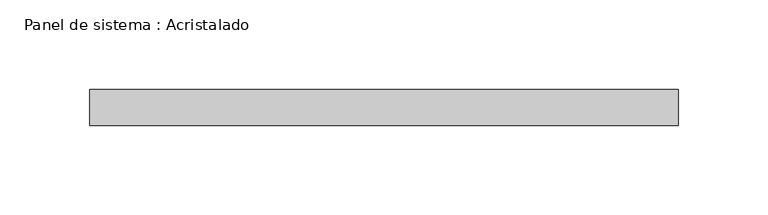
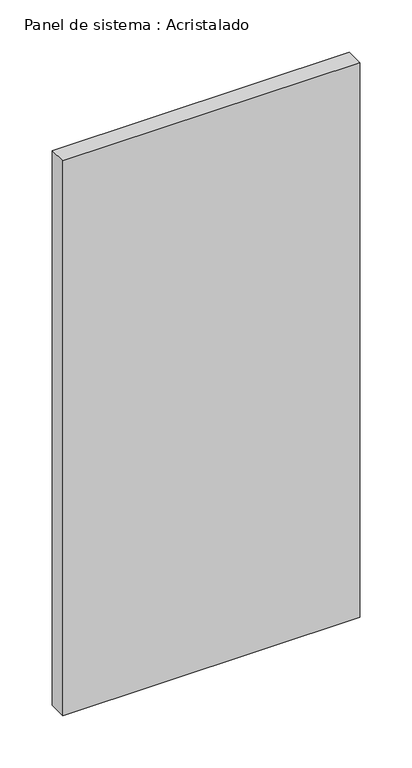
"""IFC4 building model written with IfcOpenShell, lengths in millimetres: plate geometry, Panel de sistema : Acristalado."""

from ifc_helpers import new_model, si_unit, origin, origin_with_axes, place, context, project, spatial, polyline, outline, extrude, source, transform, mapped, element, save


def panel_de_sistema_acristalado_bd1154fa(model_context):
    return source(origin(), model_context, "Body", "SweptSolid", [
        extrude(outline(polyline([(164.1666667, -10.0), (-164.1666667, -10.0), (-164.1666667, 10.0), (164.1666667, 10.0), (164.1666667, -10.0)])), origin_with_axes(), (0.0, 0.0, 1.0), 648.7704445),
    ])


if __name__ == "__main__":
    model = new_model("IFC4")
    model_context = context("Model", 3, world=origin())
    ifc_project = project(units=[si_unit("LENGTHUNIT", "METRE", prefix="MILLI")], contexts=[model_context])
    site = spatial("IfcSite", under=ifc_project)
    building = spatial("IfcBuilding", under=site)
    placement = place(None, origin())
    panel_de_sistema_acristalado_shape = panel_de_sistema_acristalado_bd1154fa(model_context)
    element("IfcPlate", 1, ObjectType="Panel de sistema : Acristalado", at=placement, inside=building, context=model_context, shape_type="MappedRepresentation", body=[
        mapped(panel_de_sistema_acristalado_shape, transform((0.0, 0.0, 0.0), x_axis=(1.0, 0.0, 0.0), y_axis=(0.0, 1.0, 0.0), z_axis=(0.0, 0.0, 1.0))),
    ])
    save(model, "model.ifc")
